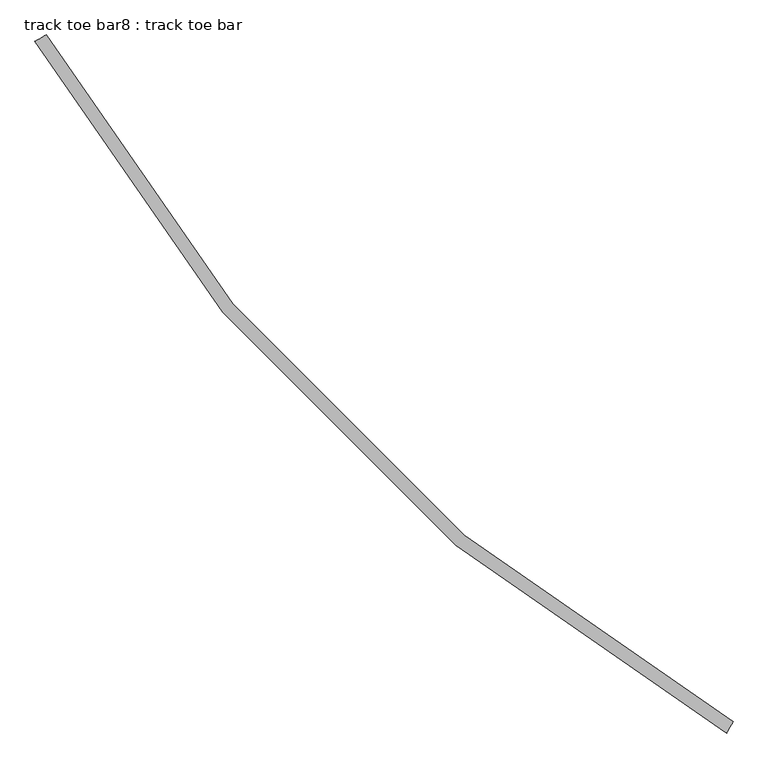
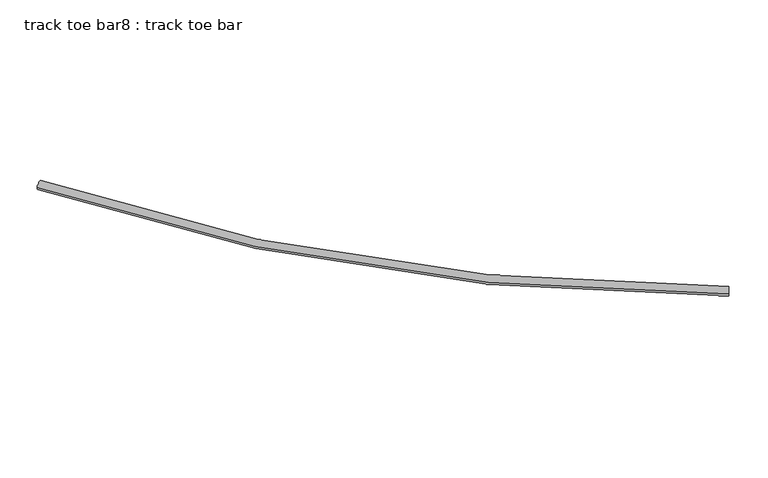
"""IFC4 building model written with IfcOpenShell, lengths in millimetres: proxy geometry, track toe bar8 : track toe bar."""

from ifc_helpers import new_model, si_unit, point, frame, origin, place, context, project, spatial, circle_curve, ellipse_curve, trimmed, source, transform, mapped, element, save
from ifc_brep_helpers import plane_surface, revolved_surface, advanced_brep


def track_toe_bar8_track_toe_bar_821f11a8(model_context):
    return source(origin(), model_context, "Body", "AdvancedBrep", [
        advanced_brep(
        [(489686.8531663, -289920.2731388, 4855.8150744), (489753.112354, -289882.6412367, 4855.8150744), (493689.901925, -293923.3218975, 4855.8150744), (493727.5338271, -293857.0627099, 4855.8150744)],
        [
            (0, 1, circle_curve(frame((489719.9827602, -289901.4571878, 4855.8150744), z_axis=(-0.493856982949602, 0.8695431446408605, 0.0), x_axis=(0.8695431446408605, 0.493856982949602, 0.0)), 38.1)),
            (1, 0, circle_curve(frame((489719.9827602, -289901.4571878, 4855.8150744), z_axis=(-0.493856982949602, 0.8695431446408605, 0.0), x_axis=(0.8695431446408605, 0.493856982949602, 0.0)), 38.1)),
            (2, 3, circle_curve(frame((493708.7178761, -293890.1923037, 4855.8150744), z_axis=(0.8695431446408337, -0.49385698294964936, 0.0), x_axis=(0.49385698294964936, 0.8695431446408337, 0.0)), 38.1)),
            (3, 2, circle_curve(frame((493708.7178761, -293890.1923037, 4855.8150744), z_axis=(0.8695431446408337, -0.49385698294964936, 0.0), x_axis=(0.49385698294964936, 0.8695431446408337, 0.0)), 38.1)),
            (3, 1, circle_curve(frame((498952.0962355, -284658.0788284, 4855.8150744), z_axis=(0.0, 0.0, -1.0), x_axis=(-0.8695431446408605, -0.493856982949602, 0.0)), 10579.1)),
            (0, 2, circle_curve(frame((498952.0962355, -284658.0788284, 4855.8150744), z_axis=(0.0, 0.0, 1.0), x_axis=(-0.8695431446408605, -0.493856982949602, 0.0)), 10655.3)),
        ],
        [
            plane_surface(frame((489719.9827602, -289901.4571878, 4927.6), z_axis=(-0.49385698294960206, 0.8695431446408606, 0.0), x_axis=(0.0, 0.0, 1.0))),
            plane_surface(frame((493708.7178761, -293890.1923037, 4927.6), z_axis=(0.8695431446408337, -0.4938569829496494, 0.0), x_axis=(0.0, 0.0, 1.0))),
            revolved_surface(trimmed(ellipse_curve(frame((489719.9827602, -289901.4571878, 4855.8150744), z_axis=(-0.493856982949602, 0.8695431446408605, 0.0), x_axis=(0.8695431446408605, 0.493856982949602, 0.0)), 38.1, 38.1), [point((489686.8531663, -289920.2731388, 4855.8150744))], [point((489753.112354, -289882.6412367, 4855.8150744))], True, "CARTESIAN"), (498952.0962355, -284658.0788284, 4927.6), (0.0, 0.0, 1.0)),
            revolved_surface(trimmed(ellipse_curve(frame((489719.9827602, -289901.4571878, 4855.8150744), z_axis=(-0.493856982949602, 0.8695431446408605, 0.0), x_axis=(0.8695431446408605, 0.493856982949602, 0.0)), 38.1, 38.1), [point((489753.112354, -289882.6412367, 4855.8150744))], [point((489686.8531663, -289920.2731388, 4855.8150744))], True, "CARTESIAN"), (498952.0962355, -284658.0788284, 4927.6), (0.0, 0.0, 1.0)),
        ],
        [
            (0, [[1, 2]]),
            (1, [[3, 4]]),
            (2, [[5, -1, 6, -4]]),
            (3, [[-6, -2, -5, -3]]),
        ],
    ),
    ])


if __name__ == "__main__":
    model = new_model("IFC4")
    model_context = context("Model", 3, world=origin())
    ifc_project = project(units=[si_unit("LENGTHUNIT", "METRE", prefix="MILLI")], contexts=[model_context])
    site = spatial("IfcSite", under=ifc_project)
    building = spatial("IfcBuilding", under=site)
    placement = place(None, origin())
    track_toe_bar8_track_toe_bar_shape = track_toe_bar8_track_toe_bar_821f11a8(model_context)
    element("IfcBuildingElementProxy", 1, Name="track toe bar8 : track toe bar", ObjectType="track toe bar8 : track toe bar", at=placement, inside=building, context=model_context, shape_type="MappedRepresentation", body=[
        mapped(track_toe_bar8_track_toe_bar_shape, transform((0.0, 0.0, 0.0), x_axis=(1.0, 0.0, 0.0), y_axis=(0.0, 1.0, 0.0), z_axis=(0.0, 0.0, 1.0))),
    ])
    save(model, "model.ifc")
